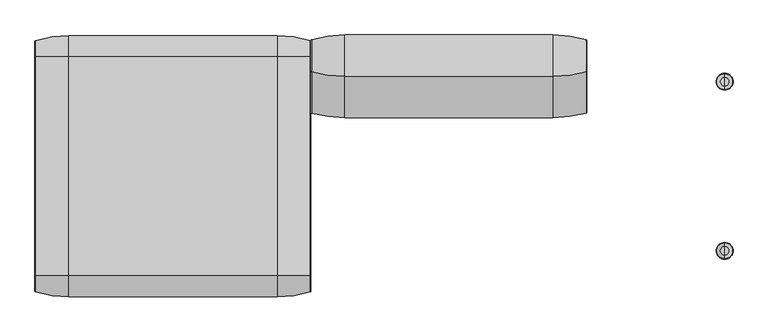
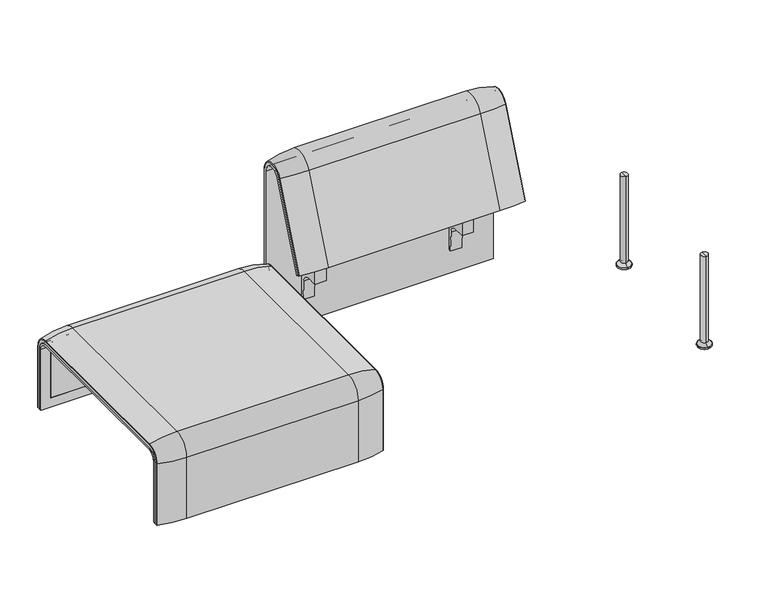
"""IFC4 building model written with IfcOpenShell, lengths in millimetres: furniture geometry."""

from ifc_helpers import new_model, si_unit, point, frame, frame_2d, origin, place, context, project, spatial, polyline, circle_curve, ellipse_curve, trimmed, segment, composite_curve, outline, extrude, source, transform, mapped, element, save
from ifc_brep_helpers import plane_surface, cylinder_surface, revolved_surface, advanced_brep


def furniture_b6c2e4df(model_context):
    return source(origin(), model_context, "Body", "SolidModel", [
        extrude(outline(composite_curve([segment(trimmed(circle_curve(frame_2d((305.0000061, 379.9223263)), 30.0), [point((305.0000061, 349.9223263))], [point((335.0000061, 379.9223263))], True, "CARTESIAN"), True, "CONTINUOUS"), segment(polyline([(335.0000061, 379.9223263), (335.0000061, 515.0657595)]), True, "CONTINUOUS"), segment(trimmed(circle_curve(frame_2d((305.0000061, 515.0657595)), 30.0), [point((335.0000061, 515.0657595))], [point((316.7219399, 542.6809051))], True, "CARTESIAN"), True, "CONTINUOUS"), segment(polyline([(316.7219399, 542.6809051), (257.4911714, 567.8228747)]), True, "CONTINUOUS"), segment(trimmed(circle_curve(frame_2d((251.6302045, 554.0153019)), 15.0), [point((257.4911714, 567.8228747))], [point((238.0355877, 560.3545758))], True, "CARTESIAN"), True, "CONTINUOUS"), segment(polyline([(238.0355877, 560.3545758), (222.2725218, 526.5505721), (213.7507451, 529.5682915), (296.3054528, 724.0549949)]), True, "CONTINUOUS"), segment(trimmed(circle_curve(frame_2d((322.520748, 712.9272623)), 28.479258), [point((296.3054528, 724.0549949))], [point((351.0000061, 712.9272623))], False, "CARTESIAN"), True, "CONTINUOUS"), segment(polyline([(351.0000061, 712.9272623), (351.0000061, 197.0551771), (343.3075759, 197.0551771), (339.4064861, 271.492405)]), True, "CONTINUOUS"), segment(trimmed(circle_curve(frame_2d((309.4476, 269.9223263)), 30.0), [point((339.4064861, 271.492405))], [point((309.4476, 299.9223263))], True, "CARTESIAN"), True, "CONTINUOUS"), segment(polyline([(309.4476, 299.9223263), (270.0000061, 299.9223263), (270.0000061, 359.9223263), (275.0000061, 359.9223263)]), True, "CONTINUOUS"), segment(trimmed(circle_curve(frame_2d((285.0000061, 359.9223263)), 10.0), [point((275.0000061, 359.9223263))], [point((285.0000061, 349.9223263))], True, "CARTESIAN"), True, "CONTINUOUS"), segment(polyline([(285.0000061, 349.9223263), (305.0000061, 349.9223263)]), True, "CONTINUOUS")], self_intersect=False), holes=[composite_curve([segment(polyline([(337.5000061, 576.3274105), (337.5000061, 716.7072663)]), True, "CONTINUOUS"), segment(trimmed(circle_curve(frame_2d((322.5000061, 716.7072663)), 15.0), [point((337.5000061, 716.7072663))], [point((308.9053893, 723.0465402))], True, "CARTESIAN"), True, "CONTINUOUS"), segment(polyline([(308.9053893, 723.0465402), (253.6256191, 604.4986904)]), True, "CONTINUOUS"), segment(trimmed(circle_curve(frame_2d((271.7517748, 596.0463251)), 20.0), [point((253.6256191, 604.4986904))], [point((265.0756376, 577.1934953))], True, "CARTESIAN"), True, "CONTINUOUS"), segment(polyline([(265.0756376, 577.1934953), (314.1406626, 559.8186587)]), True, "CONTINUOUS"), segment(trimmed(circle_curve(frame_2d((319.9867182, 576.3274105)), 17.5132879), [point((314.1406626, 559.8186587))], [point((337.5000061, 576.3274105))], True, "CARTESIAN"), True, "CONTINUOUS")], self_intersect=False)]), frame((244.9947968, 0.0, 0.0), z_axis=(1.0, 0.0, 0.0), x_axis=(0.0, 1.0, 0.0)), (0.0, 0.0, 1.0), 40.0),
        advanced_brep(
        [(308.0071685, 388.2902376, 100.5089435), (405.86854, 373.93893, 100.5089435), (408.0071685, 371.0652495, 100.5089435), (408.0071685, 359.7858817, 100.5089435), (-408.0071685, 359.7858817, 100.5089435), (-408.0071685, 371.0652495, 100.5089435), (-405.86854, 373.93893, 100.5089435), (-308.0071685, 388.2902376, 100.5089435), (-308.0071685, 388.2902376, 720.3417731), (308.0071685, 388.2902376, 720.3417731), (405.86854, 373.93893, 720.3417731), (408.0071685, 371.0652495, 720.3417731), (408.0071685, 282.0164812, 738.0210907), (408.0071685, 159.7723383, 442.2908598), (408.0071685, 170.1962447, 437.9819952), (408.0071685, 292.4403877, 733.7122262), (408.0071685, 359.7858817, 720.3417731), (-408.0071685, 359.7858817, 720.3417731), (308.0071685, 143.8537454, 448.8710282), (-308.0071685, 143.8537454, 448.8710282), (-405.86854, 157.1166065, 443.3886429), (-408.0071685, 159.7723383, 442.2908598), (-408.0071685, 170.1962447, 437.9819952), (405.86854, 157.1166065, 443.3886429), (308.0071685, 266.0978884, 744.6012592), (-308.0071685, 266.0978884, 744.6012592), (405.86854, 279.3607494, 739.1188739), (-408.0071685, 292.4403877, 733.7122262), (-408.0071685, 282.0164812, 738.0210907), (-408.0071685, 371.0652495, 720.3417731), (-405.86854, 373.93893, 720.3417731), (-405.86854, 279.3607494, 739.1188739)],
        [
            (0, 1, circle_curve(frame((308.0071685, 47.4569043, 100.5089435), z_axis=(0.0, 0.0, -1.0), x_axis=(0.0, -1.0, 0.0)), 340.8333333)),
            (1, 2, circle_curve(frame((405.0071685, 371.0652495, 100.5089435), z_axis=(0.0, 0.0, -1.0), x_axis=(1.0, 0.0, 0.0)), 3.0)),
            (2, 3),
            (3, 4),
            (4, 5),
            (5, 6, circle_curve(frame((-405.0071685, 371.0652495, 100.5089435), z_axis=(0.0, 0.0, -1.0), x_axis=(-1.0, 0.0, 0.0)), 3.0)),
            (6, 7, circle_curve(frame((-308.0071685, 47.4569043, 100.5089435), z_axis=(0.0, 0.0, -1.0), x_axis=(0.0, -1.0, 0.0)), 340.8333333)),
            (7, 0),
            (7, 8),
            (8, 9),
            (9, 0),
            (9, 10, circle_curve(frame((308.0071685, 47.4569043, 720.3417731), z_axis=(0.0, 0.0, -1.0), x_axis=(0.0, -1.0, 0.0)), 340.8333333)),
            (10, 1),
            (10, 11, circle_curve(frame((405.0071685, 371.0652495, 720.3417731), z_axis=(0.0, 0.0, -1.0), x_axis=(1.0, 0.0, 0.0)), 3.0)),
            (11, 2),
            (11, 12, circle_curve(frame((408.0071685, 324.7858817, 720.3417731), z_axis=(1.0, 0.0, 0.0), x_axis=(0.0, 1.0, 0.0)), 46.2793679)),
            (12, 13),
            (13, 14),
            (14, 15),
            (15, 16, circle_curve(frame((408.0071685, 324.7858817, 720.3417731), z_axis=(-1.0, 0.0, 0.0), x_axis=(0.0, 1.0, 0.0)), 35.0)),
            (16, 3),
            (16, 17),
            (17, 4),
            (18, 19),
            (19, 20, circle_curve(frame((-308.0071685, 458.8372467, 318.6682822), z_axis=(0.0, -0.38201294675155345, -0.9241569717933176), x_axis=(0.0, 0.9241569717933176, -0.38201294675155345)), 340.8333333)),
            (20, 21, circle_curve(frame((-405.0071685, 159.7723383, 442.2908598), z_axis=(0.0, -0.38201294675155345, -0.9241569717933176), x_axis=(-1.0, 0.0, 0.0)), 3.0)),
            (21, 22),
            (22, 14),
            (13, 23, circle_curve(frame((405.0071685, 159.7723383, 442.2908598), z_axis=(0.0, -0.38201294675155345, -0.9241569717933176), x_axis=(1.0, 0.0, 0.0)), 3.0)),
            (23, 18, circle_curve(frame((308.0071685, 458.8372467, 318.6682822), z_axis=(0.0, -0.38201294675155345, -0.9241569717933176), x_axis=(0.0, 0.9241569717933176, -0.38201294675155345)), 340.8333333)),
            (24, 9, circle_curve(frame((308.0071685, 324.7858817, 720.3417731), z_axis=(-1.0, 0.0, 0.0), x_axis=(0.0, 1.0, 0.0)), 63.5043559)),
            (8, 25, circle_curve(frame((-308.0071685, 324.7858817, 720.3417731), z_axis=(1.0, 0.0, 0.0), x_axis=(0.0, 1.0, 0.0)), 63.5043559)),
            (25, 24),
            (26, 10, circle_curve(frame((405.86854, 324.7858817, 720.3417731), z_axis=(-1.0, 0.0, 0.0), x_axis=(0.0, 1.0, 0.0)), 49.1530483)),
            (24, 26, circle_curve(frame((308.0071685, 581.0813896, 614.3985132), z_axis=(0.0, 0.382012946751556, 0.9241569717933165), x_axis=(0.0, 0.9241569717933165, -0.382012946751556)), 340.8333333)),
            (26, 12, circle_curve(frame((405.0071685, 282.0164812, 738.0210907), z_axis=(0.0, 0.3820129467515552, 0.9241569717933168), x_axis=(1.0, 0.0, 0.0)), 3.0)),
            (27, 17, circle_curve(frame((-408.0071685, 324.7858817, 720.3417731), z_axis=(-1.0, 0.0, 0.0), x_axis=(0.0, 1.0, 0.0)), 35.0)),
            (15, 27),
            (25, 19),
            (18, 24),
            (23, 26),
            (22, 27),
            (21, 28),
            (28, 29, circle_curve(frame((-408.0071685, 324.7858817, 720.3417731), z_axis=(-1.0, 0.0, 0.0), x_axis=(0.0, 1.0, 0.0)), 46.2793679)),
            (29, 5),
            (29, 30, circle_curve(frame((-405.0071685, 371.0652495, 720.3417731), z_axis=(0.0, 0.0, -1.0), x_axis=(-1.0, 0.0, 0.0)), 3.0)),
            (30, 6),
            (30, 8, circle_curve(frame((-308.0071685, 47.4569043, 720.3417731), z_axis=(0.0, 0.0, -1.0), x_axis=(0.0, -1.0, 0.0)), 340.8333333)),
            (31, 30, circle_curve(frame((-405.86854, 324.7858817, 720.3417731), z_axis=(-1.0, 0.0, 0.0), x_axis=(0.0, 1.0, 0.0)), 49.1530483)),
            (28, 31, circle_curve(frame((-405.0071685, 282.0164812, 738.0210907), z_axis=(0.0, 0.3820129467515544, 0.9241569717933172), x_axis=(-1.0, 0.0, 0.0)), 3.0)),
            (31, 25, circle_curve(frame((-308.0071685, 581.0813896, 614.3985132), z_axis=(0.0, 0.3820129467515532, 0.9241569717933177), x_axis=(0.0, 0.9241569717933177, -0.3820129467515532)), 340.8333333)),
            (20, 31),
        ],
        [
            plane_surface(frame((4.7650232, 359.7858817, 100.5089435), z_axis=(0.0, 0.0, -1.0), x_axis=(1.0, 0.0, 0.0))),
            plane_surface(frame((-308.0071685, 388.2902376, 100.5089435), z_axis=(0.0, 1.0, 0.0), x_axis=(0.0, 0.0, 1.0))),
            cylinder_surface(frame((308.0071685, 47.4569043, 100.5089435), z_axis=(0.0, 0.0, -1.0), x_axis=(0.0, -1.0, 0.0)), 340.8333333),
            cylinder_surface(frame((405.0071685, 371.0652495, 100.5089435), z_axis=(0.0, 0.0, -1.0), x_axis=(1.0, 0.0, 0.0)), 3.0),
            plane_surface(frame((408.0071685, 371.0652495, 100.5089435), z_axis=(1.0, 0.0, 0.0), x_axis=(0.0, 0.0, 1.0))),
            plane_surface(frame((408.0071685, 359.7858817, 100.5089435), z_axis=(0.0, -1.0, 0.0), x_axis=(0.0, 0.0, 1.0))),
            plane_surface(frame((4.7650232, 170.1962447, 437.9819952), z_axis=(0.0, -0.38201294675155345, -0.9241569717933176), x_axis=(1.0, 0.0, 0.0))),
            cylinder_surface(frame((4.7650232, 324.7858817, 720.3417731), z_axis=(1.0, 0.0, 0.0), x_axis=(0.0, 1.0, 0.0)), 63.5043559),
            revolved_surface(trimmed(ellipse_curve(frame((308.0071685, 47.4569043, 720.3417731), z_axis=(0.0, 0.0, -1.0), x_axis=(0.0, -1.0, 0.0)), 340.8333333, 340.8333333), [point((308.0071685, 388.2902376, 720.3417731))], [point((405.86854, 373.93893, 720.3417731))], True, "CARTESIAN"), (4.7650232, 324.7858817, 720.3417731), (1.0, 0.0, 0.0)),
            revolved_surface(trimmed(ellipse_curve(frame((405.0071685, 371.0652495, 720.3417731), z_axis=(0.0, 0.0, -1.0), x_axis=(1.0, 0.0, 0.0)), 3.0, 3.0), [point((405.86854, 373.93893, 720.3417731))], [point((408.0071685, 371.0652495, 720.3417731))], True, "CARTESIAN"), (4.7650232, 324.7858817, 720.3417731), (1.0, 0.0, 0.0)),
            revolved_surface(polyline([(408.0071685, 359.7858817, 720.3417731), (-408.0071685, 359.7858817, 720.3417731)]), (4.7650232, 324.7858817, 720.3417731), (1.0, 0.0, 0.0)),
            plane_surface(frame((-308.0071685, 266.0978884, 744.6012592), z_axis=(0.0, -0.9241569717933176, 0.38201294675155356), x_axis=(0.0, -0.38201294675155356, -0.9241569717933176))),
            cylinder_surface(frame((308.0071685, 581.0813896, 614.3985132), z_axis=(0.0, 0.38201294675155345, 0.9241569717933176), x_axis=(0.0, 0.9241569717933176, -0.38201294675155345)), 340.8333333),
            cylinder_surface(frame((405.0071685, 282.0164812, 738.0210907), z_axis=(0.0, 0.38201294675155345, 0.9241569717933176), x_axis=(1.0, 0.0, 0.0)), 3.0),
            plane_surface(frame((408.0071685, 292.4403877, 733.7122262), z_axis=(0.0, 0.9241569717933176, -0.38201294675155356), x_axis=(0.0, -0.38201294675155356, -0.9241569717933176))),
            plane_surface(frame((-408.0071685, 359.7858817, 100.5089435), z_axis=(-1.0, 0.0, 0.0), x_axis=(0.0, 0.0, 1.0))),
            cylinder_surface(frame((-405.0071685, 371.0652495, 100.5089435), z_axis=(0.0, 0.0, -1.0), x_axis=(-1.0, 0.0, 0.0)), 3.0),
            cylinder_surface(frame((-308.0071685, 47.4569043, 100.5089435), z_axis=(0.0, 0.0, -1.0), x_axis=(0.0, -1.0, 0.0)), 340.8333333),
            revolved_surface(trimmed(ellipse_curve(frame((-405.0071685, 371.0652495, 720.3417731), z_axis=(0.0, 0.0, -1.0), x_axis=(-1.0, 0.0, 0.0)), 3.0, 3.0), [point((-408.0071685, 371.0652495, 720.3417731))], [point((-405.86854, 373.93893, 720.3417731))], True, "CARTESIAN"), (4.7650232, 324.7858817, 720.3417731), (1.0, 0.0, 0.0)),
            revolved_surface(trimmed(ellipse_curve(frame((-308.0071685, 47.4569043, 720.3417731), z_axis=(0.0, 0.0, -1.0), x_axis=(0.0, -1.0, 0.0)), 340.8333333, 340.8333333), [point((-405.86854, 373.93893, 720.3417731))], [point((-308.0071685, 388.2902376, 720.3417731))], True, "CARTESIAN"), (4.7650232, 324.7858817, 720.3417731), (1.0, 0.0, 0.0)),
            cylinder_surface(frame((-405.0071685, 282.0164812, 738.0210907), z_axis=(0.0, 0.38201294675155345, 0.9241569717933176), x_axis=(-1.0, 0.0, 0.0)), 3.0),
            cylinder_surface(frame((-308.0071685, 581.0813896, 614.3985132), z_axis=(0.0, 0.38201294675155345, 0.9241569717933176), x_axis=(0.0, 0.9241569717933176, -0.38201294675155345)), 340.8333333),
        ],
        [
            (0, [[1, 2, 3, 4, 5, 6, 7, 8]]),
            (1, [[-8, 9, 10, 11]]),
            (2, [[-1, -11, 12, 13]]),
            (3, [[-2, -13, 14, 15]]),
            (4, [[-3, -15, 16, 17, 18, 19, 20, 21]]),
            (5, [[-4, -21, 22, 23]]),
            (6, [[24, 25, 26, 27, 28, -18, 29, 30]]),
            (7, [[31, -10, 32, 33]]),
            (8, [[34, -12, -31, 35]]),
            (9, [[-16, -14, -34, 36]]),
            (10, [[37, -22, -20, 38]]),
            (11, [[-33, 39, -24, 40]]),
            (12, [[-35, -40, -30, 41]]),
            (13, [[-36, -41, -29, -17]]),
            (14, [[-38, -19, -28, 42]]),
            (15, [[-5, -23, -37, -42, -27, 43, 44, 45]]),
            (16, [[-6, -45, 46, 47]]),
            (17, [[-7, -47, 48, -9]]),
            (18, [[49, -46, -44, 50]]),
            (19, [[-32, -48, -49, 51]]),
            (20, [[-50, -43, -26, 52]]),
            (21, [[-51, -52, -25, -39]]),
        ],
    ),
        extrude(outline(composite_curve([segment(trimmed(circle_curve(frame_2d((305.0000061, 379.9223263)), 30.0), [point((305.0000061, 349.9223263))], [point((335.0000061, 379.9223263))], True, "CARTESIAN"), True, "CONTINUOUS"), segment(polyline([(335.0000061, 379.9223263), (335.0000061, 515.0657595)]), True, "CONTINUOUS"), segment(trimmed(circle_curve(frame_2d((305.0000061, 515.0657595)), 30.0), [point((335.0000061, 515.0657595))], [point((316.7219399, 542.6809051))], True, "CARTESIAN"), True, "CONTINUOUS"), segment(polyline([(316.7219399, 542.6809051), (257.4911714, 567.8228747)]), True, "CONTINUOUS"), segment(trimmed(circle_curve(frame_2d((251.6302045, 554.0153019)), 15.0), [point((257.4911714, 567.8228747))], [point((238.0355877, 560.3545758))], True, "CARTESIAN"), True, "CONTINUOUS"), segment(polyline([(238.0355877, 560.3545758), (222.2725218, 526.5505721), (213.7507451, 529.5682915), (296.3054528, 724.0549949)]), True, "CONTINUOUS"), segment(trimmed(circle_curve(frame_2d((322.520748, 712.9272623)), 28.479258), [point((296.3054528, 724.0549949))], [point((351.0000061, 712.9272623))], False, "CARTESIAN"), True, "CONTINUOUS"), segment(polyline([(351.0000061, 712.9272623), (351.0000061, 197.0551771), (343.3075759, 197.0551771), (339.4064861, 271.492405)]), True, "CONTINUOUS"), segment(trimmed(circle_curve(frame_2d((309.4476, 269.9223263)), 30.0), [point((339.4064861, 271.492405))], [point((309.4476, 299.9223263))], True, "CARTESIAN"), True, "CONTINUOUS"), segment(polyline([(309.4476, 299.9223263), (270.0000061, 299.9223263), (270.0000061, 359.9223263), (275.0000061, 359.9223263)]), True, "CONTINUOUS"), segment(trimmed(circle_curve(frame_2d((285.0000061, 359.9223263)), 10.0), [point((275.0000061, 359.9223263))], [point((285.0000061, 349.9223263))], True, "CARTESIAN"), True, "CONTINUOUS"), segment(polyline([(285.0000061, 349.9223263), (305.0000061, 349.9223263)]), True, "CONTINUOUS")], self_intersect=False), holes=[composite_curve([segment(polyline([(337.5000061, 576.3274105), (337.5000061, 716.7072663)]), True, "CONTINUOUS"), segment(trimmed(circle_curve(frame_2d((322.5000061, 716.7072663)), 15.0), [point((337.5000061, 716.7072663))], [point((308.9053893, 723.0465402))], True, "CARTESIAN"), True, "CONTINUOUS"), segment(polyline([(308.9053893, 723.0465402), (253.6256191, 604.4986904)]), True, "CONTINUOUS"), segment(trimmed(circle_curve(frame_2d((271.7517748, 596.0463251)), 20.0), [point((253.6256191, 604.4986904))], [point((265.0756376, 577.1934953))], True, "CARTESIAN"), True, "CONTINUOUS"), segment(polyline([(265.0756376, 577.1934953), (314.1406626, 559.8186587)]), True, "CONTINUOUS"), segment(trimmed(circle_curve(frame_2d((319.9867182, 576.3274105)), 17.5132879), [point((314.1406626, 559.8186587))], [point((337.5000061, 576.3274105))], True, "CARTESIAN"), True, "CONTINUOUS")], self_intersect=False)]), frame((-284.9947968, 0.0, 0.0), z_axis=(1.0, 0.0, 0.0), x_axis=(0.0, 1.0, 0.0)), (0.0, 0.0, 1.0), 40.0),
        advanced_brep(
        [(-1223.9718733, 323.7517936, 359.922434), (-1223.9718733, -323.7517936, 359.922434), (-1223.9718733, -351.0, 332.6742277), (-1223.9718733, -351.0, 100.5089435), (-1223.9718733, -357.5, 100.5089435), (-1223.9718733, -357.5, 333.0583003), (-1223.9718733, -324.3858663, 366.172434), (-1223.9718733, 324.3858663, 366.172434), (-1223.9718733, 357.5, 333.0583003), (-1223.9718733, 357.5, 100.5089435), (-1223.9718733, 351.0, 100.5089435), (-1223.9718733, 351.0, 332.6742277), (-407.9906244, 323.7517936, 359.922434), (-407.9906244, 351.0, 332.6742277), (-407.9906244, 351.0, 100.5089435), (-407.9906244, 357.5, 100.5089435), (-407.9906244, 357.5, 333.0583003), (-407.9906244, 324.3858663, 366.172434), (-407.9906244, -324.3858663, 366.172434), (-407.9906244, -357.5, 333.0583003), (-407.9906244, -357.5, 100.5089435), (-407.9906244, -351.0, 100.5089435), (-407.9906244, -351.0, 332.6742277), (-407.9906244, -323.7517936, 359.922434), (-1189.0718733, -324.3858663, 366.172434), (-1189.0718733, 324.3858663, 366.172434), (-442.8906244, 324.3858663, 366.172434), (-442.8906244, -324.3858663, 366.172434), (-1189.0718733, -357.5, 333.0583003), (-442.8906244, -357.5, 333.0583003), (-442.8906244, -357.5, 135.3766997), (-1189.0718733, -357.5, 135.3766997), (-1189.0718733, -351.0, 332.6742277), (-1189.0718733, -351.0, 135.3766997), (-442.8906244, -351.0, 135.3766997), (-442.8906244, -351.0, 332.6742277), (-1189.0718733, -323.7517936, 359.922434), (-442.8906244, -323.7517936, 359.922434), (-1189.0718733, 323.7517936, 359.922434), (-442.8906244, 323.7517936, 359.922434), (-1189.0718733, 357.5, 333.0583003), (-442.8906244, 357.5, 333.0583003), (-1189.0718733, 357.5, 135.3766997), (-442.8906244, 357.5, 135.3766997), (-442.8906244, 351.0, 332.6742277), (-442.8906244, 351.0, 135.3766997), (-1189.0718733, 351.0, 135.3766997), (-1189.0718733, 351.0, 332.6742277)],
        [
            (0, 1),
            (1, 2, circle_curve(frame((-1223.9718733, -323.7517936, 332.6742277), z_axis=(1.0, 0.0, 0.0), x_axis=(0.0, -1.0, 0.0)), 27.2482064)),
            (2, 3),
            (3, 4),
            (4, 5),
            (5, 6, circle_curve(frame((-1223.9718733, -324.3858663, 333.0583003), z_axis=(-1.0, 0.0, 0.0), x_axis=(0.0, -1.0, 0.0)), 33.1141337)),
            (6, 7),
            (7, 8, circle_curve(frame((-1223.9718733, 324.3858663, 333.0583003), z_axis=(-1.0, 0.0, 0.0), x_axis=(0.0, 1.0, 0.0)), 33.1141337)),
            (8, 9),
            (9, 10),
            (10, 11),
            (11, 0, circle_curve(frame((-1223.9718733, 323.7517936, 332.6742277), z_axis=(1.0, 0.0, 0.0), x_axis=(0.0, 1.0, 0.0)), 27.2482064)),
            (12, 13, circle_curve(frame((-407.9906244, 323.7517936, 332.6742277), z_axis=(-1.0, 0.0, 0.0), x_axis=(0.0, 1.0, 0.0)), 27.2482064)),
            (13, 14),
            (14, 15),
            (15, 16),
            (16, 17, circle_curve(frame((-407.9906244, 324.3858663, 333.0583003), z_axis=(1.0, 0.0, 0.0), x_axis=(0.0, 1.0, 0.0)), 33.1141337)),
            (17, 18),
            (18, 19, circle_curve(frame((-407.9906244, -324.3858663, 333.0583003), z_axis=(1.0, 0.0, 0.0), x_axis=(0.0, -1.0, 0.0)), 33.1141337)),
            (19, 20),
            (20, 21),
            (21, 22),
            (22, 23, circle_curve(frame((-407.9906244, -323.7517936, 332.6742277), z_axis=(-1.0, 0.0, 0.0), x_axis=(0.0, -1.0, 0.0)), 27.2482064)),
            (23, 12),
            (6, 24),
            (24, 25),
            (25, 7),
            (17, 26),
            (26, 27),
            (27, 18),
            (5, 28),
            (28, 24, circle_curve(frame((-1189.0718733, -324.3858663, 333.0583003), z_axis=(-1.0, 0.0, 0.0), x_axis=(0.0, -1.0, 0.0)), 33.1141337)),
            (27, 29, circle_curve(frame((-442.8906244, -324.3858663, 333.0583003), z_axis=(1.0, 0.0, 0.0), x_axis=(0.0, -1.0, 0.0)), 33.1141337)),
            (29, 19),
            (4, 20),
            (29, 30),
            (30, 31),
            (31, 28),
            (3, 21),
            (2, 32),
            (32, 33),
            (33, 34),
            (34, 35),
            (35, 22),
            (1, 36),
            (36, 32, circle_curve(frame((-1189.0718733, -323.7517936, 332.6742277), z_axis=(1.0, 0.0, 0.0), x_axis=(0.0, -1.0, 0.0)), 27.2482064)),
            (35, 37, circle_curve(frame((-442.8906244, -323.7517936, 332.6742277), z_axis=(-1.0, 0.0, 0.0), x_axis=(0.0, -1.0, 0.0)), 27.2482064)),
            (37, 23),
            (0, 38),
            (38, 36),
            (37, 39),
            (39, 12),
            (25, 40, circle_curve(frame((-1189.0718733, 324.3858663, 333.0583003), z_axis=(-1.0, 0.0, 0.0), x_axis=(0.0, 1.0, 0.0)), 33.1141337)),
            (40, 8),
            (16, 41),
            (41, 26, circle_curve(frame((-442.8906244, 324.3858663, 333.0583003), z_axis=(1.0, 0.0, 0.0), x_axis=(0.0, 1.0, 0.0)), 33.1141337)),
            (40, 42),
            (42, 43),
            (43, 41),
            (15, 9),
            (14, 10),
            (13, 44),
            (44, 45),
            (45, 46),
            (46, 47),
            (47, 11),
            (47, 38, circle_curve(frame((-1189.0718733, 323.7517936, 332.6742277), z_axis=(1.0, 0.0, 0.0), x_axis=(0.0, 1.0, 0.0)), 27.2482064)),
            (39, 44, circle_curve(frame((-442.8906244, 323.7517936, 332.6742277), z_axis=(-1.0, 0.0, 0.0), x_axis=(0.0, 1.0, 0.0)), 27.2482064)),
            (46, 42),
            (31, 33),
            (34, 30),
            (43, 45),
        ],
        [
            plane_surface(frame((-1223.9718733, -296.9265415, 359.922434), z_axis=(-1.0, 0.0, 0.0), x_axis=(0.0, -1.0, 0.0))),
            plane_surface(frame((-407.9906244, -296.9265415, 359.922434), z_axis=(1.0, 0.0, 0.0), x_axis=(0.0, 1.0, 0.0))),
            plane_surface(frame((-1223.9718733, -324.3858663, 366.172434), z_axis=(0.0, 0.0, 1.0), x_axis=(1.0, 0.0, 0.0))),
            cylinder_surface(frame((-407.9906244, -324.3858663, 333.0583003), z_axis=(-1.0, 0.0, 0.0), x_axis=(0.0, -1.0, 0.0)), 33.1141337),
            plane_surface(frame((-1223.9718733, -357.5, 100.5089435), z_axis=(0.0, -1.0, 0.0), x_axis=(1.0, 0.0, 0.0))),
            plane_surface(frame((-1223.9718733, -351.0, 100.5089435), z_axis=(0.0, 0.0, -1.0), x_axis=(1.0, 0.0, 0.0))),
            plane_surface(frame((-1223.9718733, -351.0, 332.6742277), z_axis=(0.0, 1.0, 0.0), x_axis=(1.0, 0.0, 0.0))),
            revolved_surface(polyline([(-1189.0718733, -351.0, 332.6742277), (-1223.9718733, -351.0, 332.6742277)]), (-407.9906244, -323.7517936, 332.6742277), (1.0, 0.0, 0.0)),
            revolved_surface(polyline([(-407.9906244, -351.0, 332.6742277), (-442.8906244, -351.0, 332.6742277)]), (-407.9906244, -323.7517936, 332.6742277), (1.0, 0.0, 0.0)),
            plane_surface(frame((-1223.9718733, 323.7517936, 359.922434), z_axis=(0.0, 0.0, -1.0), x_axis=(1.0, 0.0, 0.0))),
            cylinder_surface(frame((-407.9906244, 324.3858663, 333.0583003), z_axis=(-1.0, 0.0, 0.0), x_axis=(0.0, 1.0, 0.0)), 33.1141337),
            plane_surface(frame((-1223.9718733, 357.5, 333.0583003), z_axis=(0.0, 1.0, 0.0), x_axis=(1.0, 0.0, 0.0))),
            plane_surface(frame((-1223.9718733, 357.5, 100.5089435), z_axis=(0.0, 0.0, -1.0), x_axis=(1.0, 0.0, 0.0))),
            plane_surface(frame((-1223.9718733, 351.0, 100.5089435), z_axis=(0.0, -1.0, 0.0), x_axis=(1.0, 0.0, 0.0))),
            revolved_surface(polyline([(-1189.0718733, 351.0, 332.6742277), (-1223.9718733, 351.0, 332.6742277)]), (-407.9906244, 323.7517936, 332.6742277), (1.0, 0.0, 0.0)),
            revolved_surface(polyline([(-407.9906244, 351.0, 332.6742277), (-442.8906244, 351.0, 332.6742277)]), (-407.9906244, 323.7517936, 332.6742277), (1.0, 0.0, 0.0)),
            plane_surface(frame((-1189.0718733, -296.9265415, 359.922434), z_axis=(1.0, 0.0, 0.0), x_axis=(0.0, -1.0, 0.0))),
            plane_surface(frame((-442.8906244, -296.9265415, 359.922434), z_axis=(-1.0, 0.0, 0.0), x_axis=(0.0, 1.0, 0.0))),
            plane_surface(frame((-1189.0718733, -351.0, 135.3766997), z_axis=(0.0, 0.0, 1.0), x_axis=(1.0, 0.0, 0.0))),
            plane_surface(frame((-1189.0718733, 357.5, 135.3766997), z_axis=(0.0, 0.0, 1.0), x_axis=(1.0, 0.0, 0.0))),
        ],
        [
            (0, [[1, 2, 3, 4, 5, 6, 7, 8, 9, 10, 11, 12]]),
            (1, [[13, 14, 15, 16, 17, 18, 19, 20, 21, 22, 23, 24]]),
            (2, [[-7, 25, 26, 27]]),
            (2, [[-18, 28, 29, 30]]),
            (3, [[-6, 31, 32, -25]]),
            (3, [[-19, -30, 33, 34]]),
            (4, [[-5, 35, -20, -34, 36, 37, 38, -31]]),
            (5, [[-4, 39, -21, -35]]),
            (6, [[-3, 40, 41, 42, 43, 44, -22, -39]]),
            (7, [[-2, 45, 46, -40]]),
            (8, [[-23, -44, 47, 48]]),
            (9, [[-1, 49, 50, -45]]),
            (9, [[-24, -48, 51, 52]]),
            (10, [[-8, -27, 53, 54]]),
            (10, [[-17, 55, 56, -28]]),
            (11, [[-9, -54, 57, 58, 59, -55, -16, 60]]),
            (12, [[-10, -60, -15, 61]]),
            (13, [[-11, -61, -14, 62, 63, 64, 65, 66]]),
            (14, [[-12, -66, 67, -49]]),
            (15, [[-13, -52, 68, -62]]),
            (16, [[69, -57, -53, -26, -32, -38, 70, -41, -46, -50, -67, -65]]),
            (17, [[71, -36, -33, -29, -56, -59, 72, -63, -68, -51, -47, -43]]),
            (18, [[-70, -37, -71, -42]]),
            (19, [[-69, -64, -72, -58]]),
        ],
    ),
        extrude(outline(composite_curve([segment(polyline([(323.7517936, 359.922434), (-323.7517936, 359.922434)]), True, "CONTINUOUS"), segment(trimmed(circle_curve(frame_2d((-323.7517936, 332.6742277)), 27.2482064), [point((-323.7517936, 359.922434))], [point((-351.0, 332.6742277))], True, "CARTESIAN"), True, "CONTINUOUS"), segment(polyline([(-351.0, 332.6742277), (-351.0, 135.3766997), (-357.5, 135.3766997), (-357.5, 333.0583003)]), True, "CONTINUOUS"), segment(trimmed(circle_curve(frame_2d((-324.3858663, 333.0583003)), 33.1141337), [point((-357.5, 333.0583003))], [point((-324.3858663, 366.172434))], False, "CARTESIAN"), True, "CONTINUOUS"), segment(polyline([(-324.3858663, 366.172434), (324.3858663, 366.172434)]), True, "CONTINUOUS"), segment(trimmed(circle_curve(frame_2d((324.3858663, 333.0583003)), 33.1141337), [point((324.3858663, 366.172434))], [point((357.5, 333.0583003))], False, "CARTESIAN"), True, "CONTINUOUS"), segment(polyline([(357.5, 333.0583003), (357.5, 135.3766997), (351.0, 135.3766997), (351.0, 332.6742277)]), True, "CONTINUOUS"), segment(trimmed(circle_curve(frame_2d((323.7517936, 332.6742277)), 27.2482064), [point((351.0, 332.6742277))], [point((323.7517936, 359.922434))], True, "CARTESIAN"), True, "CONTINUOUS")], self_intersect=False)), frame((-1189.0718733, 0.0, 0.0), z_axis=(1.0, 0.0, 0.0), x_axis=(0.0, 1.0, 0.0)), (0.0, 0.0, 1.0), 746.1812488),
        advanced_brep(
        [(-1223.9718733, -368.7793679, 100.5089435), (-1223.9718733, -357.5, 100.5089435), (-407.9906244, -357.5, 100.5089435), (-407.9906244, -368.7793679, 100.5089435), (-410.1292529, -371.6530483, 100.5089435), (-507.9906244, -386.0043559, 100.5089435), (-1123.9718733, -386.0043559, 100.5089435), (-1221.8332448, -371.6530483, 100.5089435), (-1223.9718733, 368.7793679, 100.5089435), (-1221.8332448, 371.6530483, 100.5089435), (-1123.9718733, 386.0043559, 100.5089435), (-507.9906244, 386.0043559, 100.5089435), (-410.1292529, 371.6530483, 100.5089435), (-407.9906244, 368.7793679, 100.5089435), (-407.9906244, 357.5, 100.5089435), (-1223.9718733, 357.5, 100.5089435), (-1223.9718733, -368.7793679, 333.0583003), (-1223.9718733, -324.3858663, 377.4518019), (-1223.9718733, 324.3858663, 377.4518019), (-1223.9718733, 368.7793679, 333.0583003), (-1223.9718733, 357.5, 333.0583003), (-1223.9718733, 324.3858663, 366.172434), (-1223.9718733, -324.3858663, 366.172434), (-1223.9718733, -357.5, 333.0583003), (-407.9906244, -357.5, 333.0583003), (-507.9906244, -386.0043559, 333.0583003), (-1123.9718733, -386.0043559, 333.0583003), (-1221.8332448, -371.6530483, 333.0583003), (-407.9906244, -324.3858663, 366.172434), (-1123.9718733, -324.3858663, 394.67679), (-507.9906244, -324.3858663, 394.67679), (-1221.8332448, -324.3858663, 380.3254823), (-407.9906244, 324.3858663, 366.172434), (-507.9906244, 324.3858663, 394.67679), (-1123.9718733, 324.3858663, 394.67679), (-1221.8332448, 324.3858663, 380.3254823), (-407.9906244, 357.5, 333.0583003), (-1123.9718733, 386.0043559, 333.0583003), (-507.9906244, 386.0043559, 333.0583003), (-1221.8332448, 371.6530483, 333.0583003), (-407.9906244, 368.7793679, 333.0583003), (-407.9906244, 324.3858663, 377.4518019), (-407.9906244, -324.3858663, 377.4518019), (-407.9906244, -368.7793679, 333.0583003), (-410.1292529, -371.6530483, 333.0583003), (-410.1292529, -324.3858663, 380.3254823), (-410.1292529, 324.3858663, 380.3254823), (-410.1292529, 371.6530483, 333.0583003)],
        [
            (0, 1),
            (1, 2),
            (2, 3),
            (3, 4, circle_curve(frame((-410.9906244, -368.7793679, 100.5089435), z_axis=(0.0, 0.0, -1.0), x_axis=(-1.0, 0.0, 0.0)), 3.0)),
            (4, 5, circle_curve(frame((-507.9906244, -45.1710226, 100.5089435), z_axis=(0.0, 0.0, -1.0), x_axis=(0.0, 1.0, 0.0)), 340.8333333)),
            (5, 6),
            (6, 7, circle_curve(frame((-1123.9718733, -45.1710226, 100.5089435), z_axis=(0.0, 0.0, -1.0), x_axis=(0.0, 1.0, 0.0)), 340.8333333)),
            (7, 0, circle_curve(frame((-1220.9718733, -368.7793679, 100.5089435), z_axis=(0.0, 0.0, -1.0), x_axis=(1.0, 0.0, 0.0)), 3.0)),
            (8, 9, circle_curve(frame((-1220.9718733, 368.7793679, 100.5089435), z_axis=(0.0, 0.0, -1.0), x_axis=(1.0, 0.0, 0.0)), 3.0)),
            (9, 10, circle_curve(frame((-1123.9718733, 45.1710226, 100.5089435), z_axis=(0.0, 0.0, -1.0), x_axis=(0.0, -1.0, 0.0)), 340.8333333)),
            (10, 11),
            (11, 12, circle_curve(frame((-507.9906244, 45.1710226, 100.5089435), z_axis=(0.0, 0.0, -1.0), x_axis=(0.0, -1.0, 0.0)), 340.8333333)),
            (12, 13, circle_curve(frame((-410.9906244, 368.7793679, 100.5089435), z_axis=(0.0, 0.0, -1.0), x_axis=(-1.0, 0.0, 0.0)), 3.0)),
            (13, 14),
            (14, 15),
            (15, 8),
            (0, 16),
            (16, 17, circle_curve(frame((-1223.9718733, -324.3858663, 333.0583003), z_axis=(-1.0, 0.0, 0.0), x_axis=(0.0, -1.0, 0.0)), 44.3935016)),
            (17, 18),
            (18, 19, circle_curve(frame((-1223.9718733, 324.3858663, 333.0583003), z_axis=(-1.0, 0.0, 0.0), x_axis=(0.0, 0.0, 1.0)), 44.3935016)),
            (19, 8),
            (15, 20),
            (20, 21, circle_curve(frame((-1223.9718733, 324.3858663, 333.0583003), z_axis=(1.0, 0.0, 0.0), x_axis=(0.0, 0.0, 1.0)), 33.1141337)),
            (21, 22),
            (22, 23, circle_curve(frame((-1223.9718733, -324.3858663, 333.0583003), z_axis=(1.0, 0.0, 0.0), x_axis=(0.0, -1.0, 0.0)), 33.1141337)),
            (23, 1),
            (23, 24),
            (24, 2),
            (5, 25),
            (25, 26),
            (26, 6),
            (26, 27, circle_curve(frame((-1123.9718733, -45.1710226, 333.0583003), z_axis=(0.0, 0.0, -1.0), x_axis=(0.0, 1.0, 0.0)), 340.8333333)),
            (27, 7),
            (27, 16, circle_curve(frame((-1220.9718733, -368.7793679, 333.0583003), z_axis=(0.0, 0.0, -1.0), x_axis=(1.0, 0.0, 0.0)), 3.0)),
            (28, 24, circle_curve(frame((-407.9906244, -324.3858663, 333.0583003), z_axis=(1.0, 0.0, 0.0), x_axis=(0.0, -1.0, 0.0)), 33.1141337)),
            (22, 28),
            (29, 26, circle_curve(frame((-1123.9718733, -324.3858663, 333.0583003), z_axis=(1.0, 0.0, 0.0), x_axis=(0.0, -1.0, 0.0)), 61.6184897)),
            (25, 30, circle_curve(frame((-507.9906244, -324.3858663, 333.0583003), z_axis=(-1.0, 0.0, 0.0), x_axis=(0.0, -1.0, 0.0)), 61.6184897)),
            (30, 29),
            (31, 27, circle_curve(frame((-1221.8332448, -324.3858663, 333.0583003), z_axis=(1.0, 0.0, 0.0), x_axis=(0.0, -1.0, 0.0)), 47.267182)),
            (29, 31, circle_curve(frame((-1123.9718733, -324.3858663, 53.8434566), z_axis=(0.0, -1.0, 0.0), x_axis=(0.0, 0.0, -1.0)), 340.8333333)),
            (31, 17, circle_curve(frame((-1220.9718733, -324.3858663, 377.4518019), z_axis=(0.0, -1.0, 0.0), x_axis=(1.0, 0.0, 0.0)), 3.0)),
            (21, 32),
            (32, 28),
            (30, 33),
            (33, 34),
            (34, 29),
            (34, 35, circle_curve(frame((-1123.9718733, 324.3858663, 53.8434566), z_axis=(0.0, -1.0, 0.0), x_axis=(0.0, 0.0, -1.0)), 340.8333333)),
            (35, 31),
            (35, 18, circle_curve(frame((-1220.9718733, 324.3858663, 377.4518019), z_axis=(0.0, -1.0, 0.0), x_axis=(1.0, 0.0, 0.0)), 3.0)),
            (36, 32, circle_curve(frame((-407.9906244, 324.3858663, 333.0583003), z_axis=(1.0, 0.0, 0.0), x_axis=(0.0, 0.0, 1.0)), 33.1141337)),
            (20, 36),
            (37, 34, circle_curve(frame((-1123.9718733, 324.3858663, 333.0583003), z_axis=(1.0, 0.0, 0.0), x_axis=(0.0, 0.0, 1.0)), 61.6184897)),
            (33, 38, circle_curve(frame((-507.9906244, 324.3858663, 333.0583003), z_axis=(-1.0, 0.0, 0.0), x_axis=(0.0, 0.0, 1.0)), 61.6184897)),
            (38, 37),
            (39, 35, circle_curve(frame((-1221.8332448, 324.3858663, 333.0583003), z_axis=(1.0, 0.0, 0.0), x_axis=(0.0, 0.0, 1.0)), 47.267182)),
            (37, 39, circle_curve(frame((-1123.9718733, 45.1710226, 333.0583003), z_axis=(0.0, 0.0, 1.0), x_axis=(0.0, -1.0, 0.0)), 340.8333333)),
            (39, 19, circle_curve(frame((-1220.9718733, 368.7793679, 333.0583003), z_axis=(0.0, 0.0, 1.0), x_axis=(1.0, 0.0, 0.0)), 3.0)),
            (14, 36),
            (38, 11),
            (10, 37),
            (9, 39),
            (13, 40),
            (40, 41, circle_curve(frame((-407.9906244, 324.3858663, 333.0583003), z_axis=(1.0, 0.0, 0.0), x_axis=(0.0, 0.0, 1.0)), 44.3935016)),
            (41, 42),
            (42, 43, circle_curve(frame((-407.9906244, -324.3858663, 333.0583003), z_axis=(1.0, 0.0, 0.0), x_axis=(0.0, -1.0, 0.0)), 44.3935016)),
            (43, 3),
            (43, 44, circle_curve(frame((-410.9906244, -368.7793679, 333.0583003), z_axis=(0.0, 0.0, -1.0), x_axis=(-1.0, 0.0, 0.0)), 3.0)),
            (44, 4),
            (44, 25, circle_curve(frame((-507.9906244, -45.1710226, 333.0583003), z_axis=(0.0, 0.0, -1.0), x_axis=(0.0, 1.0, 0.0)), 340.8333333)),
            (45, 44, circle_curve(frame((-410.1292529, -324.3858663, 333.0583003), z_axis=(1.0, 0.0, 0.0), x_axis=(0.0, -1.0, 0.0)), 47.267182)),
            (42, 45, circle_curve(frame((-410.9906244, -324.3858663, 377.4518019), z_axis=(0.0, -1.0, 0.0), x_axis=(-1.0, 0.0, 0.0)), 3.0)),
            (45, 30, circle_curve(frame((-507.9906244, -324.3858663, 53.8434566), z_axis=(0.0, -1.0, 0.0), x_axis=(0.0, 0.0, -1.0)), 340.8333333)),
            (41, 46, circle_curve(frame((-410.9906244, 324.3858663, 377.4518019), z_axis=(0.0, -1.0, 0.0), x_axis=(-1.0, 0.0, 0.0)), 3.0)),
            (46, 45),
            (46, 33, circle_curve(frame((-507.9906244, 324.3858663, 53.8434566), z_axis=(0.0, -1.0, 0.0), x_axis=(0.0, 0.0, -1.0)), 340.8333333)),
            (47, 46, circle_curve(frame((-410.1292529, 324.3858663, 333.0583003), z_axis=(1.0, 0.0, 0.0), x_axis=(0.0, 0.0, 1.0)), 47.267182)),
            (40, 47, circle_curve(frame((-410.9906244, 368.7793679, 333.0583003), z_axis=(0.0, 0.0, 1.0), x_axis=(-1.0, 0.0, 0.0)), 3.0)),
            (47, 38, circle_curve(frame((-507.9906244, 45.1710226, 333.0583003), z_axis=(0.0, 0.0, 1.0), x_axis=(0.0, -1.0, 0.0)), 340.8333333)),
            (12, 47),
        ],
        [
            plane_surface(frame((-1223.9718733, -357.5, 100.5089435), z_axis=(0.0, 0.0, -1.0), x_axis=(1.0, 0.0, 0.0))),
            plane_surface(frame((-1223.9718733, 357.5, 100.5089435), z_axis=(0.0, 0.0, -1.0), x_axis=(1.0, 0.0, 0.0))),
            plane_surface(frame((-1223.9718733, -368.7793679, 100.5089435), z_axis=(-1.0, 0.0, 0.0), x_axis=(0.0, 0.0, 1.0))),
            plane_surface(frame((-1223.9718733, -357.5, 100.5089435), z_axis=(0.0, 1.0, 0.0), x_axis=(0.0, 0.0, 1.0))),
            plane_surface(frame((-507.9906244, -386.0043559, 100.5089435), z_axis=(0.0, -1.0, 0.0), x_axis=(0.0, 0.0, 1.0))),
            cylinder_surface(frame((-1123.9718733, -45.1710226, 100.5089435), z_axis=(0.0, 0.0, -1.0), x_axis=(0.0, 1.0, 0.0)), 340.8333333),
            cylinder_surface(frame((-1220.9718733, -368.7793679, 100.5089435), z_axis=(0.0, 0.0, -1.0), x_axis=(1.0, 0.0, 0.0)), 3.0),
            revolved_surface(polyline([(-1223.9718733, -357.5, 333.0583003), (-407.9906244, -357.5, 333.0583003)]), (-1223.9718733, -324.3858663, 333.0583003), (-1.0, 0.0, 0.0)),
            cylinder_surface(frame((-1223.9718733, -324.3858663, 333.0583003), z_axis=(-1.0, 0.0, 0.0), x_axis=(0.0, -1.0, 0.0)), 61.6184897),
            revolved_surface(trimmed(ellipse_curve(frame((-1123.9718733, -45.1710226, 333.0583003), z_axis=(0.0, 0.0, -1.0), x_axis=(0.0, 1.0, 0.0)), 340.8333333, 340.8333333), [point((-1123.9718733, -386.0043559, 333.0583003))], [point((-1221.8332448, -371.6530483, 333.0583003))], True, "CARTESIAN"), (-1223.9718733, -324.3858663, 333.0583003), (-1.0, 0.0, 0.0)),
            revolved_surface(trimmed(ellipse_curve(frame((-1220.9718733, -368.7793679, 333.0583003), z_axis=(0.0, 0.0, -1.0), x_axis=(1.0, 0.0, 0.0)), 3.0, 3.0), [point((-1221.8332448, -371.6530483, 333.0583003))], [point((-1223.9718733, -368.7793679, 333.0583003))], True, "CARTESIAN"), (-1223.9718733, -324.3858663, 333.0583003), (-1.0, 0.0, 0.0)),
            plane_surface(frame((-1223.9718733, -324.3858663, 366.172434), z_axis=(0.0, 0.0, -1.0), x_axis=(0.0, 1.0, 0.0))),
            plane_surface(frame((-507.9906244, -324.3858663, 394.67679), z_axis=(0.0, 0.0, 1.0), x_axis=(0.0, 1.0, 0.0))),
            cylinder_surface(frame((-1123.9718733, -324.3858663, 53.8434566), z_axis=(0.0, -1.0, 0.0), x_axis=(0.0, 0.0, -1.0)), 340.8333333),
            cylinder_surface(frame((-1220.9718733, -324.3858663, 377.4518019), z_axis=(0.0, -1.0, 0.0), x_axis=(1.0, 0.0, 0.0)), 3.0),
            revolved_surface(polyline([(-1223.9718733, 324.3858663, 366.17243399999995), (-407.9906244, 324.3858663, 366.17243399999995)]), (-1223.9718733, 324.3858663, 333.0583003), (-1.0, 0.0, 0.0)),
            cylinder_surface(frame((-1223.9718733, 324.3858663, 333.0583003), z_axis=(-1.0, 0.0, 0.0), x_axis=(0.0, 0.0, 1.0)), 61.6184897),
            revolved_surface(trimmed(ellipse_curve(frame((-1123.9718733, 324.3858663, 53.8434566), z_axis=(0.0, -1.0, 0.0), x_axis=(0.0, 0.0, -1.0)), 340.8333333, 340.8333333), [point((-1123.9718733, 324.3858663, 394.67679))], [point((-1221.8332448, 324.3858663, 380.3254823))], True, "CARTESIAN"), (-1223.9718733, 324.3858663, 333.0583003), (-1.0, 0.0, 0.0)),
            revolved_surface(trimmed(ellipse_curve(frame((-1220.9718733, 324.3858663, 377.4518019), z_axis=(0.0, -1.0, 0.0), x_axis=(1.0, 0.0, 0.0)), 3.0, 3.0), [point((-1221.8332448, 324.3858663, 380.3254823))], [point((-1223.9718733, 324.3858663, 377.4518019))], True, "CARTESIAN"), (-1223.9718733, 324.3858663, 333.0583003), (-1.0, 0.0, 0.0)),
            plane_surface(frame((-1223.9718733, 357.5, 333.0583003), z_axis=(0.0, -1.0, 0.0), x_axis=(0.0, 0.0, -1.0))),
            plane_surface(frame((-507.9906244, 386.0043559, 333.0583003), z_axis=(0.0, 1.0, 0.0), x_axis=(0.0, 0.0, -1.0))),
            cylinder_surface(frame((-1123.9718733, 45.1710226, 333.0583003), z_axis=(0.0, 0.0, 1.0), x_axis=(0.0, -1.0, 0.0)), 340.8333333),
            cylinder_surface(frame((-1220.9718733, 368.7793679, 333.0583003), z_axis=(0.0, 0.0, 1.0), x_axis=(1.0, 0.0, 0.0)), 3.0),
            plane_surface(frame((-407.9906244, -357.5, 100.5089435), z_axis=(1.0, 0.0, 0.0), x_axis=(0.0, 0.0, 1.0))),
            cylinder_surface(frame((-410.9906244, -368.7793679, 100.5089435), z_axis=(0.0, 0.0, -1.0), x_axis=(-1.0, 0.0, 0.0)), 3.0),
            cylinder_surface(frame((-507.9906244, -45.1710226, 100.5089435), z_axis=(0.0, 0.0, -1.0), x_axis=(0.0, 1.0, 0.0)), 340.8333333),
            revolved_surface(trimmed(ellipse_curve(frame((-410.9906244, -368.7793679, 333.0583003), z_axis=(0.0, 0.0, -1.0), x_axis=(-1.0, 0.0, 0.0)), 3.0, 3.0), [point((-407.9906244, -368.7793679, 333.0583003))], [point((-410.1292529, -371.6530483, 333.0583003))], True, "CARTESIAN"), (-1223.9718733, -324.3858663, 333.0583003), (-1.0, 0.0, 0.0)),
            revolved_surface(trimmed(ellipse_curve(frame((-507.9906244, -45.1710226, 333.0583003), z_axis=(0.0, 0.0, -1.0), x_axis=(0.0, 1.0, 0.0)), 340.8333333, 340.8333333), [point((-410.1292529, -371.6530483, 333.0583003))], [point((-507.9906244, -386.0043559, 333.0583003))], True, "CARTESIAN"), (-1223.9718733, -324.3858663, 333.0583003), (-1.0, 0.0, 0.0)),
            cylinder_surface(frame((-410.9906244, -324.3858663, 377.4518019), z_axis=(0.0, -1.0, 0.0), x_axis=(-1.0, 0.0, 0.0)), 3.0),
            cylinder_surface(frame((-507.9906244, -324.3858663, 53.8434566), z_axis=(0.0, -1.0, 0.0), x_axis=(0.0, 0.0, -1.0)), 340.8333333),
            revolved_surface(trimmed(ellipse_curve(frame((-410.9906244, 324.3858663, 377.4518019), z_axis=(0.0, -1.0, 0.0), x_axis=(-1.0, 0.0, 0.0)), 3.0, 3.0), [point((-407.9906244, 324.3858663, 377.4518019))], [point((-410.1292529, 324.3858663, 380.3254823))], True, "CARTESIAN"), (-1223.9718733, 324.3858663, 333.0583003), (-1.0, 0.0, 0.0)),
            revolved_surface(trimmed(ellipse_curve(frame((-507.9906244, 324.3858663, 53.8434566), z_axis=(0.0, -1.0, 0.0), x_axis=(0.0, 0.0, -1.0)), 340.8333333, 340.8333333), [point((-410.1292529, 324.3858663, 380.3254823))], [point((-507.9906244, 324.3858663, 394.67679))], True, "CARTESIAN"), (-1223.9718733, 324.3858663, 333.0583003), (-1.0, 0.0, 0.0)),
            cylinder_surface(frame((-410.9906244, 368.7793679, 333.0583003), z_axis=(0.0, 0.0, 1.0), x_axis=(-1.0, 0.0, 0.0)), 3.0),
            cylinder_surface(frame((-507.9906244, 45.1710226, 333.0583003), z_axis=(0.0, 0.0, 1.0), x_axis=(0.0, -1.0, 0.0)), 340.8333333),
        ],
        [
            (0, [[1, 2, 3, 4, 5, 6, 7, 8]]),
            (1, [[9, 10, 11, 12, 13, 14, 15, 16]]),
            (2, [[-1, 17, 18, 19, 20, 21, -16, 22, 23, 24, 25, 26]]),
            (3, [[-2, -26, 27, 28]]),
            (4, [[-6, 29, 30, 31]]),
            (5, [[-7, -31, 32, 33]]),
            (6, [[-8, -33, 34, -17]]),
            (7, [[35, -27, -25, 36]]),
            (8, [[37, -30, 38, 39]]),
            (9, [[40, -32, -37, 41]]),
            (10, [[-18, -34, -40, 42]]),
            (11, [[-36, -24, 43, 44]]),
            (12, [[-39, 45, 46, 47]]),
            (13, [[-41, -47, 48, 49]]),
            (14, [[-42, -49, 50, -19]]),
            (15, [[51, -43, -23, 52]]),
            (16, [[53, -46, 54, 55]]),
            (17, [[56, -48, -53, 57]]),
            (18, [[-20, -50, -56, 58]]),
            (19, [[-52, -22, -15, 59]]),
            (20, [[-55, 60, -11, 61]]),
            (21, [[-57, -61, -10, 62]]),
            (22, [[-58, -62, -9, -21]]),
            (23, [[-3, -28, -35, -44, -51, -59, -14, 63, 64, 65, 66, 67]]),
            (24, [[-4, -67, 68, 69]]),
            (25, [[-5, -69, 70, -29]]),
            (26, [[71, -68, -66, 72]]),
            (27, [[-38, -70, -71, 73]]),
            (28, [[-72, -65, 74, 75]]),
            (29, [[-73, -75, 76, -45]]),
            (30, [[77, -74, -64, 78]]),
            (31, [[-54, -76, -77, 79]]),
            (32, [[-78, -63, -13, 80]]),
            (33, [[-79, -80, -12, -60]]),
        ],
    ),
        advanced_brep(
        [(815.9812488, -250.0000031, 0.0), (815.9812488, -225.0000031, 0.0), (815.9812488, -275.0000031, 0.0), (815.9812488, -262.4715672, 344.8637637), (815.9812488, -237.5284391, 344.8637637), (815.9812488, -250.0000031, 344.8637637), (815.9812488, -262.4715672, 16.2604994), (815.9812488, -237.5284391, 16.2604994), (815.9812488, -273.2294713, 5.5025953), (815.9812488, -226.770535, 5.5025953), (815.9812488, -275.0000031, 5.5025953), (815.9812488, -225.0000031, 5.5025953)],
        [
            (0, 1),
            (1, 2, circle_curve(frame((815.9812488, -250.0000031, 0.0), z_axis=(0.0, 0.0, -1.0), x_axis=(0.0, 1.0, 0.0)), 25.0)),
            (2, 0),
            (2, 1, circle_curve(frame((815.9812488, -250.0000031, 0.0), z_axis=(0.0, 0.0, -1.0), x_axis=(0.0, 1.0, 0.0)), 25.0)),
            (3, 4, circle_curve(frame((815.9812488, -250.0000031, 344.8637637), z_axis=(0.0, 0.0, 1.0), x_axis=(0.0, 1.0, 0.0)), 12.471564)),
            (4, 5),
            (5, 3),
            (4, 3, circle_curve(frame((815.9812488, -250.0000031, 344.8637637), z_axis=(0.0, 0.0, 1.0), x_axis=(0.0, 1.0, 0.0)), 12.471564)),
            (6, 7, circle_curve(frame((815.9812488, -250.0000031, 16.2604994), z_axis=(0.0, 0.0, 1.0), x_axis=(0.0, 1.0, 0.0)), 12.471564)),
            (7, 4),
            (3, 6),
            (7, 6, circle_curve(frame((815.9812488, -250.0000031, 16.2604994), z_axis=(0.0, 0.0, 1.0), x_axis=(0.0, 1.0, 0.0)), 12.471564)),
            (8, 9, circle_curve(frame((815.9812488, -250.0000031, 5.5025953), z_axis=(0.0, 0.0, 1.0), x_axis=(0.0, 1.0, 0.0)), 23.2294681)),
            (9, 7, circle_curve(frame((815.9812488, -226.770535, 16.2604994), z_axis=(-1.0, 0.0, 0.0), x_axis=(0.0, 1.0, 0.0)), 10.7579041)),
            (6, 8, circle_curve(frame((815.9812488, -273.2294713, 16.2604994), z_axis=(-1.0, 0.0, 0.0), x_axis=(0.0, -1.0, 0.0)), 10.7579041)),
            (9, 8, circle_curve(frame((815.9812488, -250.0000031, 5.5025953), z_axis=(0.0, 0.0, 1.0), x_axis=(0.0, 1.0, 0.0)), 23.2294681)),
            (10, 11, circle_curve(frame((815.9812488, -250.0000031, 5.5025953), z_axis=(0.0, 0.0, 1.0), x_axis=(0.0, 1.0, 0.0)), 25.0)),
            (11, 9),
            (8, 10),
            (11, 10, circle_curve(frame((815.9812488, -250.0000031, 5.5025953), z_axis=(0.0, 0.0, 1.0), x_axis=(0.0, 1.0, 0.0)), 25.0)),
            (1, 11),
            (10, 2),
        ],
        [
            plane_surface(frame((815.9812488, -250.0000031, 0.0), z_axis=(0.0, 0.0, -1.0), x_axis=(0.0, 1.0, 0.0))),
            plane_surface(frame((815.9812488, -250.0000031, 344.8637637), z_axis=(0.0, 0.0, 1.0), x_axis=(0.0, 1.0, 0.0))),
            cylinder_surface(frame((815.9812488, -250.0000031, 344.8637637), z_axis=(0.0, 0.0, -1.0), x_axis=(0.0, 1.0, 0.0)), 12.471564),
            revolved_surface(trimmed(ellipse_curve(frame((815.9812488, -226.770535, 16.2604994), z_axis=(1.0, 0.0, 0.0), x_axis=(0.0, 1.0, 0.0)), 10.7579041, 10.7579041), [point((815.9812488, -237.5284391, 16.2604994))], [point((815.9812488, -226.770535, 5.5025953))], True, "CARTESIAN"), (815.9812488, -250.0000031, 344.8637637), (0.0, 0.0, -1.0)),
            plane_surface(frame((815.9812488, -250.0000031, 5.5025953), z_axis=(0.0, 0.0, 1.0), x_axis=(0.0, 1.0, 0.0))),
            cylinder_surface(frame((815.9812488, -250.0000031, 344.8637637), z_axis=(0.0, 0.0, -1.0), x_axis=(0.0, 1.0, 0.0)), 25.0),
        ],
        [
            (0, [[1, 2, 3]]),
            (0, [[-3, 4, -1]]),
            (1, [[5, 6, 7]]),
            (1, [[8, -7, -6]]),
            (2, [[9, 10, -5, 11]]),
            (2, [[12, -11, -8, -10]]),
            (3, [[13, 14, -9, 15]]),
            (3, [[16, -15, -12, -14]]),
            (4, [[17, 18, -13, 19]]),
            (4, [[20, -19, -16, -18]]),
            (5, [[-2, 21, -17, 22]]),
            (5, [[-4, -22, -20, -21]]),
        ],
    ),
        advanced_brep(
        [(815.9812488, 275.0000031, 0.0), (815.9812488, 225.0000031, 0.0), (815.9812488, 250.0000031, 0.0), (815.9812488, 250.0000031, 344.8637637), (815.9812488, 237.5284391, 344.8637637), (815.9812488, 262.4715672, 344.8637637), (815.9812488, 237.5284391, 16.2604994), (815.9812488, 262.4715672, 16.2604994), (815.9812488, 226.770535, 5.5025953), (815.9812488, 273.2294713, 5.5025953), (815.9812488, 225.0000031, 5.5025953), (815.9812488, 275.0000031, 5.5025953)],
        [
            (0, 1, circle_curve(frame((815.9812488, 250.0000031, 0.0), z_axis=(0.0, 0.0, -1.0), x_axis=(0.0, -1.0, 0.0)), 25.0)),
            (1, 2),
            (2, 0),
            (1, 0, circle_curve(frame((815.9812488, 250.0000031, 0.0), z_axis=(0.0, 0.0, -1.0), x_axis=(0.0, -1.0, 0.0)), 25.0)),
            (3, 4),
            (4, 5, circle_curve(frame((815.9812488, 250.0000031, 344.8637637), z_axis=(0.0, 0.0, 1.0), x_axis=(0.0, -1.0, 0.0)), 12.471564)),
            (5, 3),
            (5, 4, circle_curve(frame((815.9812488, 250.0000031, 344.8637637), z_axis=(0.0, 0.0, 1.0), x_axis=(0.0, -1.0, 0.0)), 12.471564)),
            (4, 6),
            (6, 7, circle_curve(frame((815.9812488, 250.0000031, 16.2604994), z_axis=(0.0, 0.0, 1.0), x_axis=(0.0, -1.0, 0.0)), 12.471564)),
            (7, 5),
            (7, 6, circle_curve(frame((815.9812488, 250.0000031, 16.2604994), z_axis=(0.0, 0.0, 1.0), x_axis=(0.0, -1.0, 0.0)), 12.471564)),
            (6, 8, circle_curve(frame((815.9812488, 226.770535, 16.2604994), z_axis=(-1.0, 0.0, 0.0), x_axis=(0.0, -1.0, 0.0)), 10.7579041)),
            (8, 9, circle_curve(frame((815.9812488, 250.0000031, 5.5025953), z_axis=(0.0, 0.0, 1.0), x_axis=(0.0, -1.0, 0.0)), 23.2294681)),
            (9, 7, circle_curve(frame((815.9812488, 273.2294713, 16.2604994), z_axis=(-1.0, 0.0, 0.0), x_axis=(0.0, 1.0, 0.0)), 10.7579041)),
            (9, 8, circle_curve(frame((815.9812488, 250.0000031, 5.5025953), z_axis=(0.0, 0.0, 1.0), x_axis=(0.0, -1.0, 0.0)), 23.2294681)),
            (8, 10),
            (10, 11, circle_curve(frame((815.9812488, 250.0000031, 5.5025953), z_axis=(0.0, 0.0, 1.0), x_axis=(0.0, -1.0, 0.0)), 25.0)),
            (11, 9),
            (11, 10, circle_curve(frame((815.9812488, 250.0000031, 5.5025953), z_axis=(0.0, 0.0, 1.0), x_axis=(0.0, -1.0, 0.0)), 25.0)),
            (10, 1),
            (0, 11),
        ],
        [
            plane_surface(frame((815.9812488, 250.0000031, 0.0), z_axis=(0.0, 0.0, -1.0), x_axis=(0.0, -1.0, 0.0))),
            plane_surface(frame((815.9812488, 250.0000031, 344.8637637), z_axis=(0.0, 0.0, 1.0), x_axis=(0.0, -1.0, 0.0))),
            cylinder_surface(frame((815.9812488, 250.0000031, 344.8637637), z_axis=(0.0, 0.0, 1.0), x_axis=(0.0, -1.0, 0.0)), 12.471564),
            revolved_surface(trimmed(ellipse_curve(frame((815.9812488, 226.770535, 16.2604994), z_axis=(1.0, 0.0, 0.0), x_axis=(0.0, -1.0, 0.0)), 10.7579041, 10.7579041), [point((815.9812488, 226.770535, 5.5025953))], [point((815.9812488, 237.5284391, 16.2604994))], True, "CARTESIAN"), (815.9812488, 250.0000031, 344.8637637), (0.0, 0.0, 1.0)),
            plane_surface(frame((815.9812488, 250.0000031, 5.5025953), z_axis=(0.0, 0.0, 1.0), x_axis=(0.0, -1.0, 0.0))),
            cylinder_surface(frame((815.9812488, 250.0000031, 344.8637637), z_axis=(0.0, 0.0, 1.0), x_axis=(0.0, -1.0, 0.0)), 25.0),
        ],
        [
            (0, [[1, 2, 3]]),
            (0, [[4, -3, -2]]),
            (1, [[5, 6, 7]]),
            (1, [[-7, 8, -5]]),
            (2, [[-6, 9, 10, 11]]),
            (2, [[-8, -11, 12, -9]]),
            (3, [[-10, 13, 14, 15]]),
            (3, [[-12, -15, 16, -13]]),
            (4, [[-14, 17, 18, 19]]),
            (4, [[-16, -19, 20, -17]]),
            (5, [[-18, 21, -1, 22]]),
            (5, [[-20, -22, -4, -21]]),
        ],
    ),
    ])


if __name__ == "__main__":
    model = new_model("IFC4")
    model_context = context("Model", 3, world=origin())
    ifc_project = project(units=[si_unit("LENGTHUNIT", "METRE", prefix="MILLI")], contexts=[model_context])
    site = spatial("IfcSite", under=ifc_project)
    building = spatial("IfcBuilding", under=site)
    placement = place(None, origin())
    furniture_shape = furniture_b6c2e4df(model_context)
    element("IfcFurniture", 1, at=placement, inside=building, context=model_context, shape_type="MappedRepresentation", body=[
        mapped(furniture_shape, transform((0.0, 0.0, 0.0), x_axis=(1.0, 0.0, 0.0), y_axis=(0.0, 1.0, 0.0), z_axis=(0.0, 0.0, 1.0))),
    ])
    save(model, "model.ifc")
